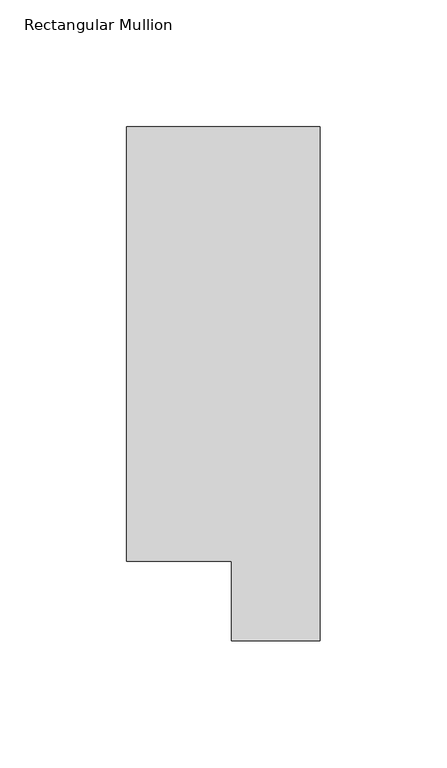
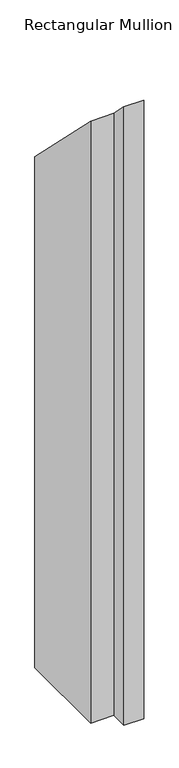
"""IFC4 building model written with IfcOpenShell, lengths in millimetres: member geometry, Rectangular Mullion."""

from ifc_helpers import new_model, si_unit, origin, place, context, project, spatial, faceted_brep, source, transform, mapped, element, save


def rectangular_mullion_770c2b6a(model_context):
    return source(origin(), model_context, "Body", "Brep", [
        faceted_brep([(0.0, 222.0301313, -1181.4436702), (0.0, 19.5667312, -1181.4436702), (-34.9123, 19.5667312, -1181.4436702), (-34.9123, 50.820278, -1181.4436702), (-76.2, 50.820278, -1181.4436702), (-76.2, 222.0301313, -1181.4436702), (-76.2, 222.0301313, -222.0301313), (0.0, 222.0301313, -222.0301313), (-76.2, 50.820278, -50.820278), (-34.9123, 50.820278, -50.820278), (-34.9123, 19.5667312, -19.5667312), (0.0, 19.5667312, -19.5667312)], [[[0, 1, 2, 3, 4, 5]], [[6, 7, 0, 5]], [[8, 6, 5, 4]], [[9, 8, 4, 3]], [[10, 9, 3, 2]], [[11, 10, 2, 1]], [[7, 11, 1, 0]], [[7, 6, 8, 9, 10, 11]]]),
    ])


if __name__ == "__main__":
    model = new_model("IFC4")
    model_context = context("Model", 3, world=origin())
    ifc_project = project(units=[si_unit("LENGTHUNIT", "METRE", prefix="MILLI")], contexts=[model_context])
    site = spatial("IfcSite", under=ifc_project)
    building = spatial("IfcBuilding", under=site)
    placement = place(None, origin())
    rectangular_mullion_shape = rectangular_mullion_770c2b6a(model_context)
    element("IfcMember", 1, ObjectType="Rectangular Mullion", at=placement, inside=building, context=model_context, shape_type="MappedRepresentation", body=[
        mapped(rectangular_mullion_shape, transform((0.0, 0.0, 0.0), x_axis=(1.0, 0.0, 0.0), y_axis=(0.0, 1.0, 0.0), z_axis=(0.0, 0.0, 1.0))),
    ])
    save(model, "model.ifc")
